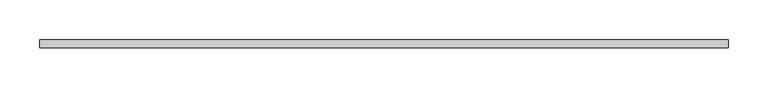
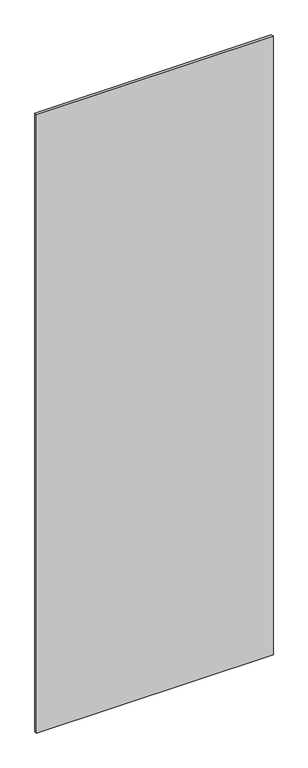
"""IFC4 building model written with IfcOpenShell, lengths in millimetres: plate geometry."""

from ifc_helpers import new_model, si_unit, origin, origin_with_axes, place, context, project, spatial, polyline, outline, extrude, source, transform, mapped, element, save


def plate_48b1a64b(model_context):
    return source(origin(), model_context, "Body", "SweptSolid", [
        extrude(outline(polyline([(434.3780983, -5.0), (-434.3780983, -5.0), (-434.3780983, 5.0), (434.3780983, 5.0), (434.3780983, -5.0)])), origin_with_axes(), (0.0, 0.0, 1.0), 2401.0),
    ])


if __name__ == "__main__":
    model = new_model("IFC4")
    model_context = context("Model", 3, world=origin())
    ifc_project = project(units=[si_unit("LENGTHUNIT", "METRE", prefix="MILLI")], contexts=[model_context])
    site = spatial("IfcSite", under=ifc_project)
    building = spatial("IfcBuilding", under=site)
    placement = place(None, origin())
    plate_shape = plate_48b1a64b(model_context)
    element("IfcPlate", 1, at=placement, inside=building, context=model_context, shape_type="MappedRepresentation", body=[
        mapped(plate_shape, transform((0.0, 0.0, 0.0), x_axis=(1.0, 0.0, 0.0), y_axis=(0.0, 1.0, 0.0), z_axis=(0.0, 0.0, 1.0))),
    ])
    save(model, "model.ifc")
